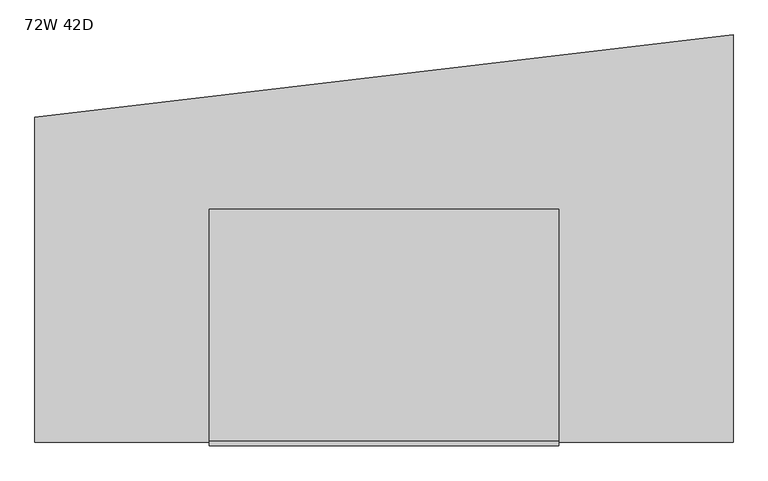
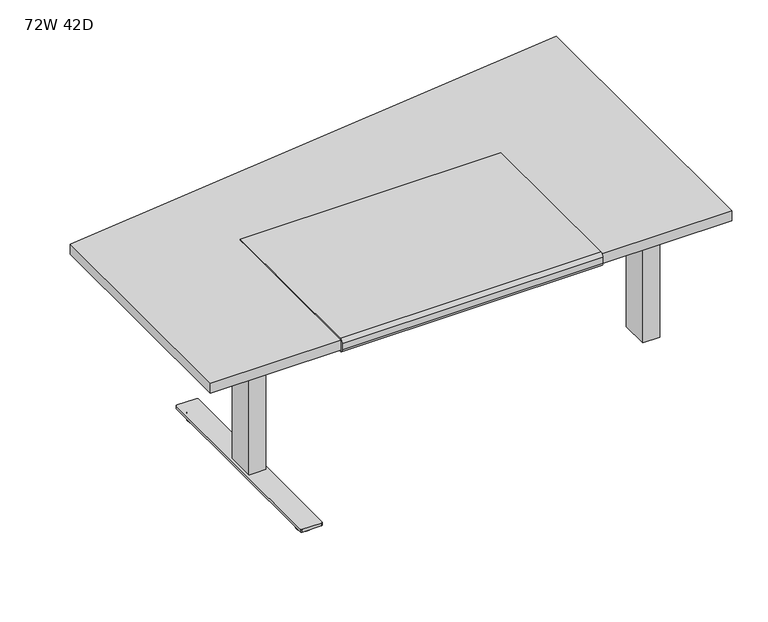
"""IFC4 building model written with IfcOpenShell, lengths in millimetres: furniture geometry, 72W 42D."""

from ifc_helpers import new_model, si_unit, point, frame, frame_2d, origin, origin_with_axes, place, context, project, spatial, polyline, circle_curve, trimmed, segment, composite_curve, outline, extrude, source, transform, mapped, element, save


def furniture_72w_42d_dff7c513(model_context):
    return source(origin(), model_context, "Body", "SweptSolid", [
        extrude(outline(composite_curve([segment(polyline([(-1076.1981828, 711.2566341), (-1076.1981828, 706.2597008)]), True, "CONTINUOUS"), segment(trimmed(circle_curve(frame_2d((-1076.1981828, 718.9597008)), 12.7), [point((-1076.1981828, 706.2597008))], [point((-1088.8981828, 718.9597008))], False, "CARTESIAN"), True, "CONTINUOUS"), segment(polyline([(-1088.8981828, 718.9597008), (-1088.8981828, 741.3625)]), True, "CONTINUOUS"), segment(trimmed(circle_curve(frame_2d((-1076.1981828, 741.3625)), 12.7), [point((-1088.8981828, 741.3625))], [point((-1076.1981828, 754.0625))], False, "CARTESIAN"), True, "CONTINUOUS"), segment(polyline([(-1076.1981828, 754.0625), (-469.7731828, 754.0625), (-469.7731828, 749.3), (-1076.0350132, 749.3)]), True, "CONTINUOUS"), segment(trimmed(circle_curve(frame_2d((-1076.0350132, 741.3625)), 7.9375), [point((-1076.0350132, 749.3))], [point((-1083.9725132, 741.3625))], True, "CARTESIAN"), True, "CONTINUOUS"), segment(polyline([(-1083.9725132, 741.3625), (-1083.9725132, 717.6066341)]), True, "CONTINUOUS"), segment(trimmed(circle_curve(frame_2d((-1077.6225132, 717.6066341)), 6.35), [point((-1083.9725132, 717.6066341))], [point((-1077.6225132, 711.2566341))], True, "CARTESIAN"), True, "CONTINUOUS"), segment(polyline([(-1077.6225132, 711.2566341), (-1076.1981828, 711.2566341)]), True, "CONTINUOUS")], self_intersect=False)), frame((-469.9, 0.0, 0.0), z_axis=(1.0, 0.0, 0.0), x_axis=(0.0, 1.0, 0.0)), (0.0, 0.0, 1.0), 914.4),
        extrude(outline(polyline([(-882.65, 692.15), (-882.65, 711.2), (-361.95, 711.2), (-361.95, 692.15), (-563.5625, 635.0), (-681.0375, 635.0), (-882.65, 692.15)])), frame((-567.53125, 0.0, 0.0), z_axis=(1.0, 0.0, 0.0), x_axis=(0.0, 1.0, 0.0)), (0.0, 0.0, 1.0), 2.38125),
        extrude(outline(polyline([(-377.03125, -563.5625), (-377.03125, -681.0375), (-565.15, -681.0375), (-565.15, -563.5625), (-377.03125, -563.5625)])), frame((0.0, 0.0, 655.6375), z_axis=(0.0, 0.0, 1.0), x_axis=(1.0, 0.0, 0.0)), (0.0, 0.0, 1.0), 55.5625),
        extrude(outline(polyline([(-501.65, -577.85), (-501.65, -666.75), (-552.45, -666.75), (-552.45, -577.85), (-501.65, -577.85)])), frame((0.0, 0.0, 611.1875), z_axis=(0.0, 0.0, 1.0), x_axis=(1.0, 0.0, 0.0)), (0.0, 0.0, 1.0), 44.45),
        extrude(outline(polyline([(-497.0859375, -572.29375), (-497.0859375, -672.30625), (-557.0140625, -672.30625), (-557.0140625, -572.29375), (-497.0859375, -572.29375)])), frame((0.0, 0.0, 31.75), z_axis=(0.0, 0.0, 1.0), x_axis=(1.0, 0.0, 0.0)), (0.0, 0.0, 1.0), 579.4375),
        extrude(outline(composite_curve([segment(trimmed(circle_curve(frame_2d((-527.05, -952.5)), 25.4), [point((-552.45, -952.5))], [point((-501.65, -952.5))], False, "CARTESIAN"), True, "CONTINUOUS"), segment(trimmed(circle_curve(frame_2d((-527.05, -952.5)), 25.4), [point((-501.65, -952.5))], [point((-552.45, -952.5))], False, "CARTESIAN"), True, "CONTINUOUS")], self_intersect=False)), origin_with_axes(), (0.0, 0.0, 1.0), 9.525),
        extrude(outline(composite_curve([segment(trimmed(circle_curve(frame_2d((-527.05, -292.1)), 25.4), [point((-552.45, -292.1))], [point((-501.65, -292.1))], False, "CARTESIAN"), True, "CONTINUOUS"), segment(trimmed(circle_curve(frame_2d((-527.05, -292.1)), 25.4), [point((-501.65, -292.1))], [point((-552.45, -292.1))], False, "CARTESIAN"), True, "CONTINUOUS")], self_intersect=False)), origin_with_axes(), (0.0, 0.0, 1.0), 9.525),
        extrude(outline(composite_curve([segment(polyline([(-552.45, -952.5), (-552.45, -292.1)]), True, "CONTINUOUS"), segment(trimmed(circle_curve(frame_2d((-527.05, -292.1)), 25.4), [point((-552.45, -292.1))], [point((-527.05, -266.7))], False, "CARTESIAN"), True, "CONTINUOUS"), segment(trimmed(circle_curve(frame_2d((-527.05, -292.1)), 25.4), [point((-527.05, -266.7))], [point((-501.65, -292.1))], False, "CARTESIAN"), True, "CONTINUOUS"), segment(polyline([(-501.65, -292.1), (-501.65, -952.5)]), True, "CONTINUOUS"), segment(trimmed(circle_curve(frame_2d((-527.05, -952.5)), 25.4), [point((-501.65, -952.5))], [point((-527.05, -977.9))], False, "CARTESIAN"), True, "CONTINUOUS"), segment(trimmed(circle_curve(frame_2d((-527.05, -952.5)), 25.4), [point((-527.05, -977.9))], [point((-552.45, -952.5))], False, "CARTESIAN"), True, "CONTINUOUS")], self_intersect=False)), frame((0.0, 0.0, 9.525), z_axis=(0.0, 0.0, 1.0), x_axis=(1.0, 0.0, 0.0)), (0.0, 0.0, 1.0), 12.7),
        extrude(outline(composite_curve([segment(trimmed(circle_curve(frame_2d((-493.7125, -246.0625)), 4.7625), [point((-493.7125, -241.3))], [point((-488.95, -246.0625))], False, "CARTESIAN"), True, "CONTINUOUS"), segment(polyline([(-488.95, -246.0625), (-488.95, -998.5375)]), True, "CONTINUOUS"), segment(trimmed(circle_curve(frame_2d((-493.7125, -998.5375)), 4.7625), [point((-488.95, -998.5375))], [point((-493.7125, -1003.3))], False, "CARTESIAN"), True, "CONTINUOUS"), segment(polyline([(-493.7125, -1003.3), (-560.3875, -1003.3)]), True, "CONTINUOUS"), segment(trimmed(circle_curve(frame_2d((-560.3875, -998.5375)), 4.7625), [point((-560.3875, -1003.3))], [point((-565.15, -998.5375))], False, "CARTESIAN"), True, "CONTINUOUS"), segment(polyline([(-565.15, -998.5375), (-565.15, -246.0625)]), True, "CONTINUOUS"), segment(trimmed(circle_curve(frame_2d((-560.3875, -246.0625)), 4.7625), [point((-565.15, -246.0625))], [point((-560.3875, -241.3))], False, "CARTESIAN"), True, "CONTINUOUS"), segment(polyline([(-560.3875, -241.3), (-493.7125, -241.3)]), True, "CONTINUOUS")], self_intersect=False)), frame((0.0, 0.0, 22.225), z_axis=(0.0, 0.0, 1.0), x_axis=(1.0, 0.0, 0.0)), (0.0, 0.0, 1.0), 9.525),
        extrude(outline(polyline([(-361.95, 692.15), (-563.5625, 635.0), (-681.0375, 635.0), (-882.65, 692.15), (-882.65, 711.2), (-361.95, 711.2), (-361.95, 692.15)])), frame((893.7625, 0.0, 0.0), z_axis=(1.0, 0.0, 0.0), x_axis=(0.0, 1.0, 0.0)), (0.0, 0.0, 1.0), 2.38125),
        extrude(outline(polyline([(705.64375, -681.0375), (705.64375, -563.5625), (893.7625, -563.5625), (893.7625, -681.0375), (705.64375, -681.0375)])), frame((0.0, 0.0, 655.6375), z_axis=(0.0, 0.0, 1.0), x_axis=(1.0, 0.0, 0.0)), (0.0, 0.0, 1.0), 55.5625),
        extrude(outline(polyline([(830.2625, -666.75), (830.2625, -577.85), (881.0625, -577.85), (881.0625, -666.75), (830.2625, -666.75)])), frame((0.0, 0.0, 611.1875), z_axis=(0.0, 0.0, 1.0), x_axis=(1.0, 0.0, 0.0)), (0.0, 0.0, 1.0), 44.45),
        extrude(outline(polyline([(825.6984375, -672.30625), (825.6984375, -572.29375), (885.6265625, -572.29375), (885.6265625, -672.30625), (825.6984375, -672.30625)])), frame((0.0, 0.0, 38.1), z_axis=(0.0, 0.0, 1.0), x_axis=(1.0, 0.0, 0.0)), (0.0, 0.0, 1.0), 573.0875),
        extrude(outline(polyline([(-927.1, -228.6), (901.7, -12.7), (901.7, -1079.5), (-927.1, -1079.5), (-927.1, -228.6)])), frame((0.0, 0.0, 711.2), z_axis=(0.0, 0.0, 1.0), x_axis=(1.0, 0.0, 0.0)), (0.0, 0.0, 1.0), 38.1),
    ])


if __name__ == "__main__":
    model = new_model("IFC4")
    model_context = context("Model", 3, world=origin())
    ifc_project = project(units=[si_unit("LENGTHUNIT", "METRE", prefix="MILLI")], contexts=[model_context])
    site = spatial("IfcSite", under=ifc_project)
    building = spatial("IfcBuilding", under=site)
    placement = place(None, origin())
    furniture_72w_42d_shape = furniture_72w_42d_dff7c513(model_context)
    element("IfcFurniture", 1, ObjectType="72W 42D", at=placement, inside=building, context=model_context, shape_type="MappedRepresentation", body=[
        mapped(furniture_72w_42d_shape, transform((0.0, 0.0, 0.0), x_axis=(1.0, 0.0, 0.0), y_axis=(0.0, 1.0, 0.0), z_axis=(0.0, 0.0, 1.0))),
    ])
    save(model, "model.ifc")
